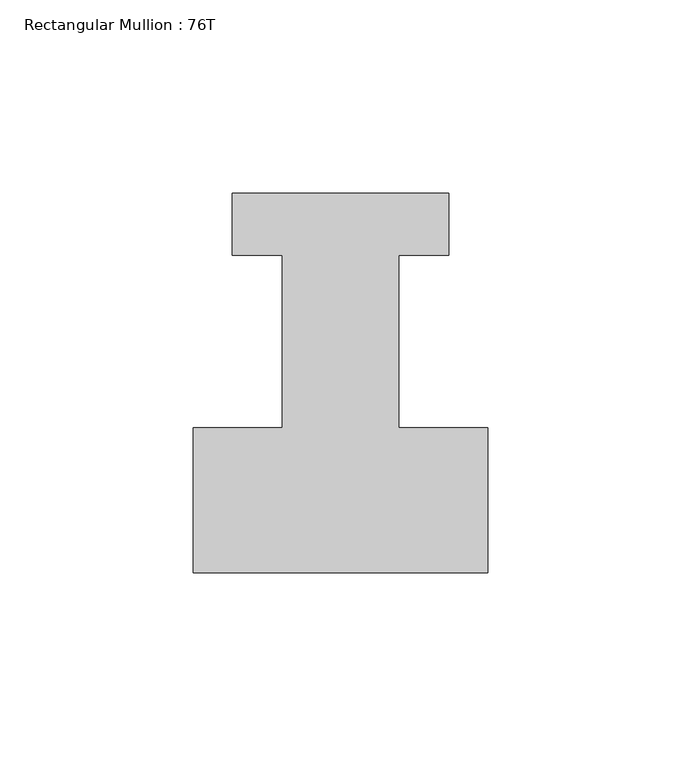
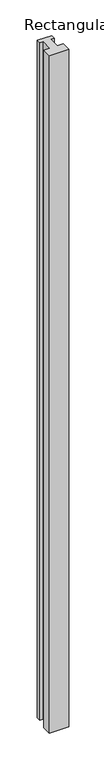
"""IFC4 building model written with IfcOpenShell, lengths in millimetres: member geometry, Rectangular Mullion : 76T."""

from ifc_helpers import new_model, si_unit, frame, origin, place, context, project, spatial, polyline, outline, extrude, source, transform, mapped, element, save


def rectangular_mullion_76t_f1d44517(model_context):
    return source(origin(), model_context, "Body", "SweptSolid", [
        extrude(outline(polyline([(-76.0, -38.0), (-76.0, -0.5), (-53.0, -0.5), (-53.0, 44.0), (-66.0, 44.0), (-66.0, 60.0), (-10.0, 60.0), (-10.0, 44.0), (-23.0, 44.0), (-23.0, -0.5), (0.0, -0.5), (0.0, -38.0), (-76.0, -38.0)])), frame((0.0, 0.0, -2800.0), z_axis=(0.0, 0.0, 1.0), x_axis=(1.0, 0.0, 0.0)), (0.0, 0.0, 1.0), 2800.0),
    ])


if __name__ == "__main__":
    model = new_model("IFC4")
    model_context = context("Model", 3, world=origin())
    ifc_project = project(units=[si_unit("LENGTHUNIT", "METRE", prefix="MILLI")], contexts=[model_context])
    site = spatial("IfcSite", under=ifc_project)
    building = spatial("IfcBuilding", under=site)
    placement = place(None, origin())
    rectangular_mullion_76t_shape = rectangular_mullion_76t_f1d44517(model_context)
    element("IfcMember", 1, ObjectType="Rectangular Mullion : 76T", at=placement, inside=building, context=model_context, shape_type="MappedRepresentation", body=[
        mapped(rectangular_mullion_76t_shape, transform((0.0, 0.0, 0.0), x_axis=(1.0, 0.0, 0.0), y_axis=(0.0, 1.0, 0.0), z_axis=(0.0, 0.0, 1.0))),
    ])
    save(model, "model.ifc")
